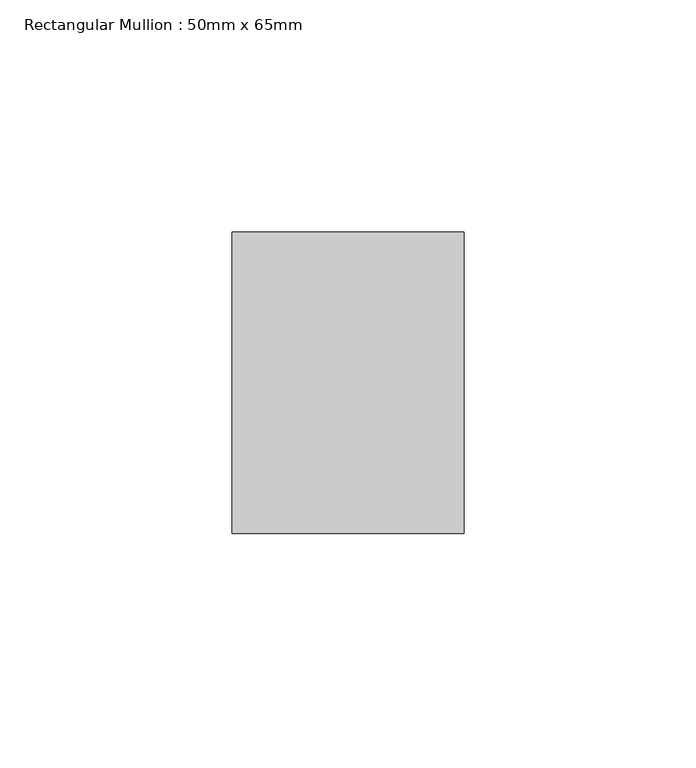
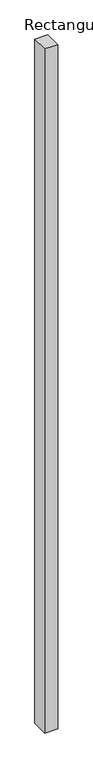
"""IFC4 building model written with IfcOpenShell, lengths in millimetres: member geometry, Rectangular Mullion : 50mm x 65mm."""

from ifc_helpers import new_model, si_unit, frame, origin, place, context, project, spatial, polyline, outline, extrude, source, transform, mapped, element, save


def rectangular_mullion_50mm_x_65mm_a067f2cf(model_context):
    return source(origin(), model_context, "Body", "SweptSolid", [
        extrude(outline(polyline([(25.0, 32.5), (25.0, -32.5), (-25.0, -32.5), (-25.0, 32.5), (25.0, 32.5)])), frame((0.0, 0.0, -2773.891084), z_axis=(0.0, 0.0, 1.0), x_axis=(1.0, 0.0, 0.0)), (0.0, 0.0, 1.0), 2773.891084),
    ])


if __name__ == "__main__":
    model = new_model("IFC4")
    model_context = context("Model", 3, world=origin())
    ifc_project = project(units=[si_unit("LENGTHUNIT", "METRE", prefix="MILLI")], contexts=[model_context])
    site = spatial("IfcSite", under=ifc_project)
    building = spatial("IfcBuilding", under=site)
    placement = place(None, origin())
    rectangular_mullion_50mm_x_65mm_shape = rectangular_mullion_50mm_x_65mm_a067f2cf(model_context)
    element("IfcMember", 1, ObjectType="Rectangular Mullion : 50mm x 65mm", at=placement, inside=building, context=model_context, shape_type="MappedRepresentation", body=[
        mapped(rectangular_mullion_50mm_x_65mm_shape, transform((0.0, 0.0, 0.0), x_axis=(1.0, 0.0, 0.0), y_axis=(0.0, 1.0, 0.0), z_axis=(0.0, 0.0, 1.0))),
    ])
    save(model, "model.ifc")
